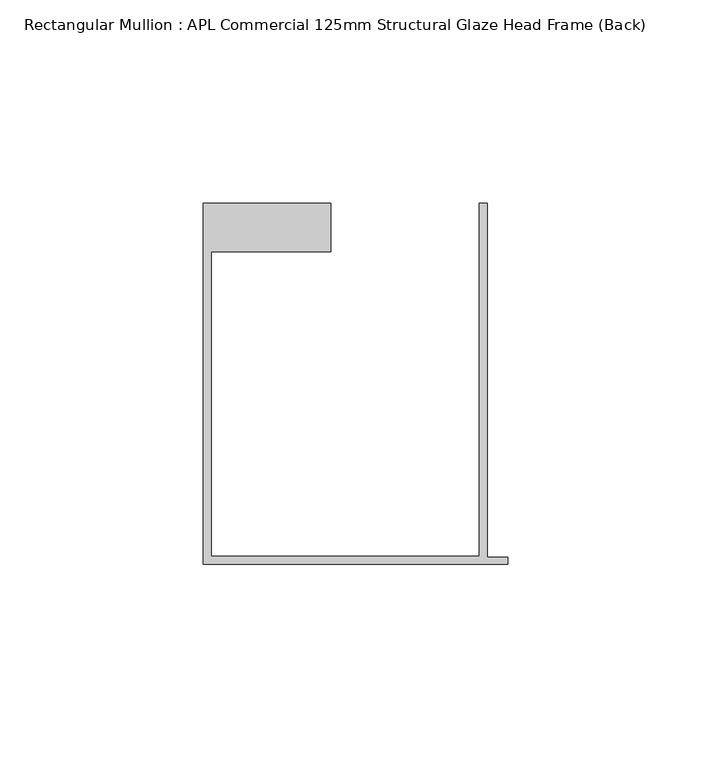
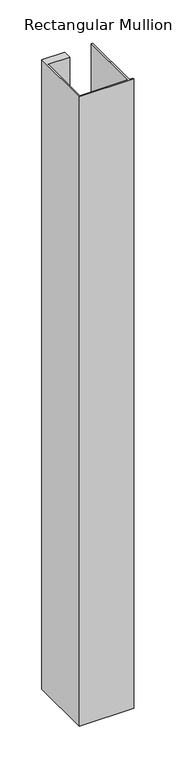
"""IFC4 building model written with IfcOpenShell, lengths in millimetres: member geometry, Rectangular Mullion : APL Commercial 125mm Structural Glaze Head Frame (Back)."""

from ifc_helpers import new_model, si_unit, frame, origin, place, context, project, spatial, polyline, outline, extrude, source, transform, mapped, element, save


def rectangular_mullion_apl_commercial_125mm_structural_glaze_15f4d555(model_context):
    return source(origin(), model_context, "Body", "SweptSolid", [
        extrude(outline(polyline([(-75.0, -103.9993063), (-75.0, -14.9998342), (-43.5000151, -14.9998342), (-43.5000151, -26.9997514), (-73.0, -26.9997514), (-73.0, -101.9993063), (-7.0, -101.9993063), (-7.0, -14.9998342), (-5.0, -14.9998342), (-5.0, -102.1993063), (0.0, -102.1993063), (0.0, -103.9993063), (-75.0, -103.9993063)])), frame((0.0, 0.0, -916.2962462), z_axis=(0.0, 0.0, 1.0), x_axis=(1.0, 0.0, 0.0)), (0.0, 0.0, 1.0), 916.2962462),
    ])


if __name__ == "__main__":
    model = new_model("IFC4")
    model_context = context("Model", 3, world=origin())
    ifc_project = project(units=[si_unit("LENGTHUNIT", "METRE", prefix="MILLI")], contexts=[model_context])
    site = spatial("IfcSite", under=ifc_project)
    building = spatial("IfcBuilding", under=site)
    placement = place(None, origin())
    rectangular_mullion_apl_commercial_125mm_structural_glaze_shape = rectangular_mullion_apl_commercial_125mm_structural_glaze_15f4d555(model_context)
    element("IfcMember", 1, ObjectType="Rectangular Mullion : APL Commercial 125mm Structural Glaze Head Frame (Back)", at=placement, inside=building, context=model_context, shape_type="MappedRepresentation", body=[
        mapped(rectangular_mullion_apl_commercial_125mm_structural_glaze_shape, transform((0.0, 0.0, 0.0), x_axis=(1.0, 0.0, 0.0), y_axis=(0.0, 1.0, 0.0), z_axis=(0.0, 0.0, 1.0))),
    ])
    save(model, "model.ifc")
